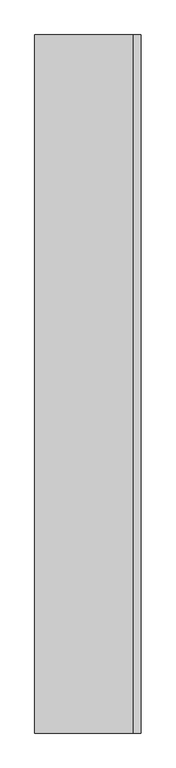
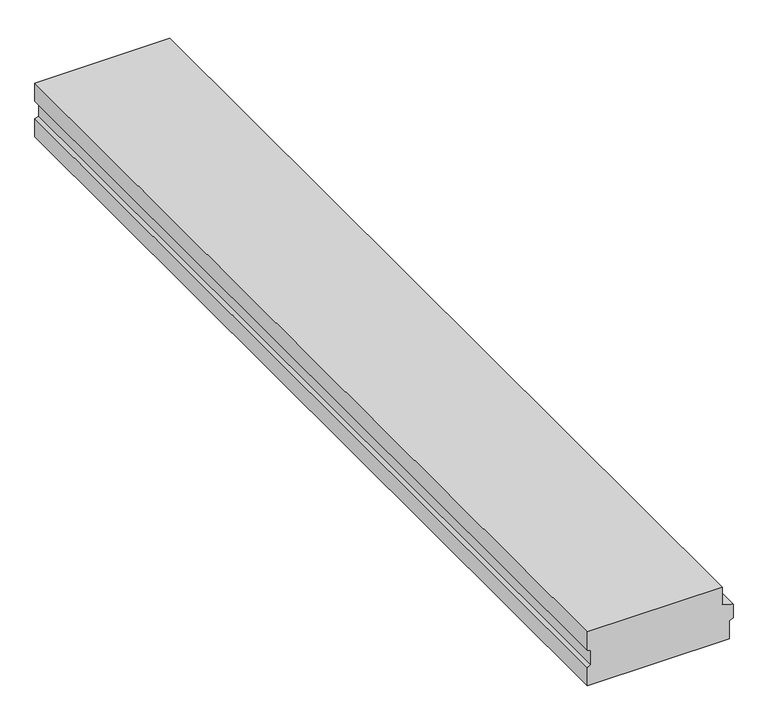
"""IFC4 building model written with IfcOpenShell, lengths in millimetres: beam geometry."""

import ifcopenshell
import ifcopenshell.guid

model = None  # the IFC model being written
_history = None  # IfcOwnerHistory: only IFC2X3 demands one
_inside = {}  # id of a spatial element -> (the spatial element, [elements in it])
_under = {}  # id of a project, library or spatial element -> (it, [spatial elements below it])
_declared = {}  # id of a project -> (the project, [libraries it declares])
_typed = {}  # id of a type object -> (the type object, [elements of that type])
_made_of = {}  # id of a material, layer set ... -> (it, [elements and type objects made of it])


def new_model(schema):
    """Start an empty IFC model of exactly this schema.

    Asked for "IFC4X3", IfcOpenShell would pick the latest addendum, in which some entities
    have other attributes; the version numbers below select the first issue.
    IFC2X3 requires an IfcOwnerHistory on every rooted entity: one is made here for all.
    """
    global model, _history
    if schema == "IFC4X3":
        model = ifcopenshell.file(schema_version=(4, 3, 0, 0))
    else:
        model = ifcopenshell.file(schema=schema)
    _inside.clear()
    _under.clear()
    _declared.clear()
    _typed.clear()
    _made_of.clear()
    _history = None
    if model.schema == "IFC2X3":
        org = make("IfcOrganization", Name="unknown")
        user = make(
            "IfcPersonAndOrganization",
            ThePerson=make("IfcPerson", FamilyName="unknown"),
            TheOrganization=org,
        )
        app = make(
            "IfcApplication",
            ApplicationDeveloper=org,
            Version="unknown",
            ApplicationFullName="unknown",
            ApplicationIdentifier="unknown",
        )
        _history = make(
            "IfcOwnerHistory",
            OwningUser=user,
            OwningApplication=app,
            ChangeAction="ADDED",
            CreationDate=0,
        )
    return model


def make(cls, **values):
    """One entity of the class cls with the attributes given. An attribute that is None is left unset."""
    return model.create_entity(
        cls, **{name: value for name, value in values.items() if value is not None}
    )


def rooted(cls, **values):
    """An entity with a GlobalId (a new one), such as an element, a storey or a relation."""
    return make(cls, GlobalId=ifcopenshell.guid.new(), OwnerHistory=_history, **values)


def si_unit(unit_type, name, prefix=None):
    """IfcSIUnit, for example si_unit("LENGTHUNIT", "METRE", prefix="MILLI")."""
    return make("IfcSIUnit", UnitType=unit_type, Prefix=prefix, Name=name)


def assignment(units):
    """IfcUnitAssignment: the units of a project."""
    return None if units is None else make("IfcUnitAssignment", Units=units)


def point(xyz):
    """IfcCartesianPoint."""
    return None if xyz is None else make("IfcCartesianPoint", Coordinates=xyz)


def direction(xyz):
    """IfcDirection."""
    return None if xyz is None else make("IfcDirection", DirectionRatios=xyz)


def frame(location, z_axis=None, x_axis=None):
    """IfcAxis2Placement3D, a coordinate frame: its origin and axes. An axis left out is left unset."""
    return make(
        "IfcAxis2Placement3D",
        Location=point(location),
        Axis=direction(z_axis),
        RefDirection=direction(x_axis),
    )


def origin():
    """The frame at (0, 0, 0) with its axes left unset."""
    return frame((0.0, 0.0, 0.0))


def place(relative_to, where):
    """IfcLocalPlacement: puts the frame where relative to a parent placement (None: the world)."""
    return make(
        "IfcLocalPlacement", PlacementRelTo=relative_to, RelativePlacement=where
    )


def context(
    kind, dimensions, precision=None, world=None, true_north=None, identifier=None
):
    """IfcGeometricRepresentationContext, for example the 3D "Model" context."""
    return make(
        "IfcGeometricRepresentationContext",
        ContextIdentifier=identifier,
        ContextType=kind,
        CoordinateSpaceDimension=dimensions,
        Precision=precision,
        WorldCoordinateSystem=world,
        TrueNorth=true_north,
    )


def project(units=None, contexts=None):
    """IfcProject with its units and contexts."""
    return rooted(
        "IfcProject",
        Name="project",
        RepresentationContexts=contexts,
        UnitsInContext=assignment(units),
    )


def spatial(cls, under=None, at=None, **own):
    """A site, building, storey or space (cls), placed at a placement, below another one or the project."""
    s = rooted(cls, ObjectPlacement=at, **own)
    if under is not None:
        _under.setdefault(under.id(), (under, []))[1].append(s)
    return s


def polyline(points):
    """IfcPolyline through the points."""
    return make("IfcPolyline", Points=[point(p) for p in points])


def outline(outer, holes=None, kind="AREA"):
    """IfcArbitraryClosedProfileDef: a profile drawn as a closed curve; with holes, ...WithVoids."""
    if holes is None:
        return make("IfcArbitraryClosedProfileDef", ProfileType=kind, OuterCurve=outer)
    return make(
        "IfcArbitraryProfileDefWithVoids",
        ProfileType=kind,
        OuterCurve=outer,
        InnerCurves=holes,
    )


def extrude(swept, where, along, depth):
    """IfcExtrudedAreaSolid: the profile swept, set in the frame where, extruded along a direction by depth."""
    return make(
        "IfcExtrudedAreaSolid",
        SweptArea=swept,
        Position=where,
        ExtrudedDirection=direction(along),
        Depth=depth,
    )


def shape(context_of_items, identifier, shape_type, items):
    """IfcShapeRepresentation: the items that make up one representation, for example the "Body"."""
    return make(
        "IfcShapeRepresentation",
        ContextOfItems=context_of_items,
        RepresentationIdentifier=identifier,
        RepresentationType=shape_type,
        Items=items,
    )


def source(mapping_origin, context_of_items, identifier, shape_type, items):
    """IfcRepresentationMap: a shape defined once, which mapped items show again and again."""
    return make(
        "IfcRepresentationMap",
        MappingOrigin=mapping_origin,
        MappedRepresentation=shape(context_of_items, identifier, shape_type, items),
    )


def transform(
    local_origin,
    x_axis=None,
    y_axis=None,
    z_axis=None,
    scale=None,
    scale2=None,
    scale3=None,
    uniform=True,
):
    """IfcCartesianTransformationOperator3D, or its non-uniform kind. x_axis, y_axis, z_axis: its Axis1, 2, 3."""
    if uniform:
        return make(
            "IfcCartesianTransformationOperator3D",
            Axis1=direction(x_axis),
            Axis2=direction(y_axis),
            LocalOrigin=point(local_origin),
            Scale=scale,
            Axis3=direction(z_axis),
        )
    return make(
        "IfcCartesianTransformationOperator3DnonUniform",
        Axis1=direction(x_axis),
        Axis2=direction(y_axis),
        LocalOrigin=point(local_origin),
        Scale=scale,
        Axis3=direction(z_axis),
        Scale2=scale2,
        Scale3=scale3,
    )


def mapped(mapping_source, mapping_target):
    """IfcMappedItem: shows the shape of a source again, moved by a transform."""
    return make(
        "IfcMappedItem", MappingSource=mapping_source, MappingTarget=mapping_target
    )


def made_of(thing, what):
    """Note that an element or type object is made of a material, layer set ...; save() writes the relation."""
    if what is not None:
        _made_of.setdefault(what.id(), (what, []))[1].append(thing)
    return thing


def element(
    cls,
    number,
    at=None,
    inside=None,
    cuts=None,
    type_object=None,
    material=None,
    context=None,
    identifier="Body",
    shape_type=None,
    held_by="IfcProductDefinitionShape",
    body=None,
    shapes=None,
    **own,
):
    """One element of the class cls, such as IfcWall. Its Tag is "e" and its number.

    at: its placement. inside: the storey or other place that contains it. cuts: it is an
    opening in that element (IfcRelVoidsElement). A single representation is given by context,
    identifier, shape_type and body (its items); several are given by shapes. held_by: the class
    of the entity that holds the representations. save() writes the other relations.
    """
    e = rooted(cls, Tag="e%d" % number, ObjectPlacement=at, **own)
    if body is not None:
        shapes = [shape(context, identifier, shape_type, body)]
    if shapes is not None:
        e.Representation = make(held_by, Representations=shapes)
    if inside is not None:
        _inside.setdefault(inside.id(), (inside, []))[1].append(e)
    if cuts is not None:
        rooted(
            "IfcRelVoidsElement", RelatingBuildingElement=cuts, RelatedOpeningElement=e
        )
    if type_object is not None:
        _typed.setdefault(type_object.id(), (type_object, []))[1].append(e)
    return made_of(e, material)


def aggregate(whole, parts):
    """IfcRelAggregates: a whole, such as a stair, and the parts it consists of."""
    return rooted("IfcRelAggregates", RelatingObject=whole, RelatedObjects=parts)


def save(model, path):
    """Write the relations noted so far, then the file.

    IfcRelAggregates (storeys below a building ...), IfcRelContainedInSpatialStructure (elements
    in a storey), IfcRelDefinesByType, IfcRelAssociatesMaterial and IfcRelDeclares: one each for
    every whole, place, type object, material and project.
    """
    for whole, parts in _under.values():
        aggregate(whole, parts)
    for where, things in _inside.values():
        rooted(
            "IfcRelContainedInSpatialStructure",
            RelatedElements=things,
            RelatingStructure=where,
        )
    for kind, things in _typed.values():
        rooted("IfcRelDefinesByType", RelatedObjects=things, RelatingType=kind)
    for what, things in _made_of.values():
        rooted("IfcRelAssociatesMaterial", RelatedObjects=things, RelatingMaterial=what)
    for by, libraries in _declared.values():
        rooted("IfcRelDeclares", RelatingContext=by, RelatedDefinitions=libraries)
    model.write(path)


def beam_ff9ca89b(model_context):
    return source(origin(), model_context, "Body", "SweptSolid", [
        extrude(outline(polyline([(0.0, 270.0), (0.0, -300.0), (-81.2054084, -300.0), (-86.8469471, -284.5), (-152.5378604, -284.5), (-158.9635917, -300.0), (-240.0, -300.0), (-240.0, 300.0), (-158.9635917, 300.0), (-152.5378604, 315.5), (-91.5606457, 315.5), (-75.0, 270.0), (0.0, 270.0)])), frame((0.0, -2020.0, 0.0), z_axis=(0.0, 1.0, 0.0), x_axis=(0.0, 0.0, 1.0)), (0.0, 0.0, 1.0), 4040.0),
    ])


if __name__ == "__main__":
    model = new_model("IFC4")
    model_context = context("Model", 3, world=origin())
    ifc_project = project(units=[si_unit("LENGTHUNIT", "METRE", prefix="MILLI")], contexts=[model_context])
    site = spatial("IfcSite", under=ifc_project)
    building = spatial("IfcBuilding", under=site)
    placement = place(None, origin())
    beam_shape = beam_ff9ca89b(model_context)
    element("IfcBeam", 1, at=placement, inside=building, context=model_context, shape_type="MappedRepresentation", body=[
        mapped(beam_shape, transform((0.0, 0.0, 0.0), x_axis=(1.0, 0.0, 0.0), y_axis=(0.0, 1.0, 0.0), z_axis=(0.0, 0.0, 1.0))),
    ])
    save(model, "model.ifc")
